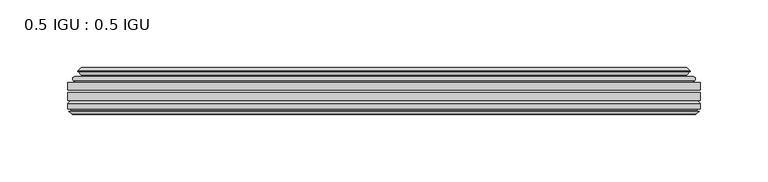
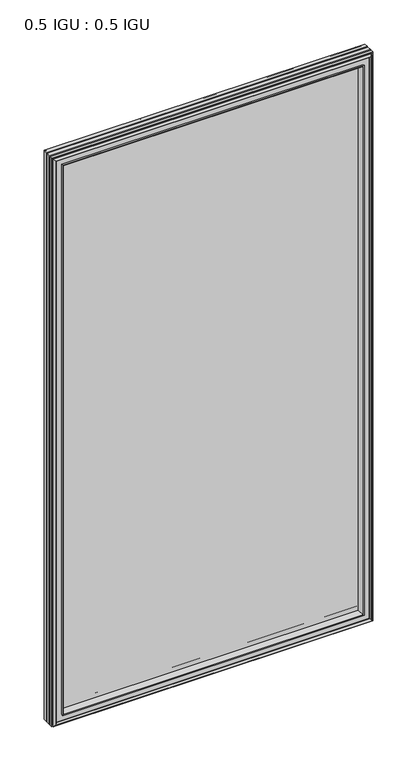
"""IFC4 building model written with IfcOpenShell, lengths in millimetres: plate geometry, 0.5 IGU : 0.5 IGU."""

from ifc_helpers import new_model, si_unit, frame, origin, place, context, project, spatial, polyline, ellipse_curve, outline, extrude, faceted_brep, source, transform, mapped, element, save
from ifc_brep_helpers import plane_surface, cylinder_surface, revolved_surface, advanced_brep


def plate_0_5_igu_0_5_igu_498e3a24(model_context):
    return source(origin(), model_context, "Body", "SolidModel", [
        extrude(outline(polyline([(233.3608, -55.82285), (233.3608, -61.48705), (-233.346625, -61.48705), (-233.346625, -55.82285), (233.3608, -55.82285)])), frame((0.0, 0.0, -14.2875), z_axis=(0.0, 0.0, 1.0), x_axis=(1.0, 0.0, 0.0)), (0.0, 0.0, 1.0), 873.1287979),
        extrude(outline(polyline([(-233.346625, -69.05625), (-233.346625, -63.39205), (233.3608, -63.39205), (233.3608, -69.05625), (-233.346625, -69.05625)])), frame((0.0, 0.0, -14.2875), z_axis=(0.0, 0.0, 1.0), x_axis=(1.0, 0.0, 0.0)), (0.0, 0.0, 1.0), 873.1287979),
        advanced_brep(
        [(-229.2440876, -54.3724927, 854.7349626), (-228.1995628, -51.60645, 853.6904378), (-228.1995628, -51.60645, -9.1404378), (-229.2440876, -54.3724927, -10.1849626), (-227.607642, -55.82285, 853.098517), (-227.607642, -55.82285, -8.548517), (-219.059125, -45.63745, 844.55), (-215.4764011, -55.82285, 840.9672761), (-215.4764011, -55.82285, 3.5827239), (-219.059125, -45.63745, 0.0), (-224.2450359, -46.8185491, 849.7359109), (-224.2450359, -46.8185491, -5.1859109), (-223.4480143, -44.8183085, 848.9388893), (-223.4480143, -44.8183085, -4.3888893), (-225.7317361, -47.135817, 851.2226111), (-225.7317361, -47.135817, -6.6726111), (-225.7317361, -47.8489429, 851.2226111), (-225.7317361, -47.8489429, -6.6726111), (-223.4480143, -50.1664515, 848.9388893), (-223.4480143, -50.1664515, -4.3888893), (-224.2373751, -48.1854367, 849.7282501), (-224.2373751, -48.1854367, -5.1782501), (-221.7135629, -48.027045, 847.2044379), (-221.7135629, -48.027045, -2.6544379), (-220.6877467, -48.7147544, 846.1786217), (-220.6877467, -48.7147544, -1.6286217), (-220.8061538, -50.1092231, 846.2970288), (-220.8061538, -50.1092231, -1.7470288), (-221.4078998, -51.60645, 846.8987748), (-221.4078998, -51.60645, -2.3487748), (228.1995628, -51.60645, -9.1404378), (229.2440876, -54.3724927, -10.1849626), (227.607642, -55.82285, -8.548517), (215.4764011, -55.82285, 3.5827239), (219.059125, -45.63745, 0.0), (224.2450359, -46.8185491, -5.1859109), (223.4480143, -44.8183085, -4.3888893), (225.7317361, -47.135817, -6.6726111), (225.7317361, -47.8489429, -6.6726111), (223.4480143, -50.1664515, -4.3888893), (224.2373751, -48.1854367, -5.1782501), (221.7135629, -48.027045, -2.6544379), (220.6877467, -48.7147544, -1.6286217), (220.8061538, -50.1092231, -1.7470288), (221.4078998, -51.60645, -2.3487748), (228.1995628, -51.60645, 853.6904378), (229.2440876, -54.3724927, 854.7349626), (227.607642, -55.82285, 853.098517), (215.4764011, -55.82285, 840.9672761), (219.059125, -45.63745, 844.55), (224.2450359, -46.8185491, 849.7359109), (223.4480143, -44.8183085, 848.9388893), (225.7317361, -47.135817, 851.2226111), (225.7317361, -47.8489429, 851.2226111), (223.4480143, -50.1664515, 848.9388893), (224.2373751, -48.1854367, 849.7282501), (221.7135629, -48.027045, 847.2044379), (220.6877467, -48.7147544, 846.1786217), (220.8061538, -50.1092231, 846.2970288), (221.4078998, -51.60645, 846.8987748)],
        [
            (0, 1, ellipse_curve(frame((-228.1911953, -53.1898501, 853.6820703), z_axis=(-0.7071067811865475, 0.0, -0.7071067811865475), x_axis=(-0.7071067811865474, 0.0, 0.7071067811865476)), 2.2392971, 1.5834222)),
            (1, 2),
            (2, 3, ellipse_curve(frame((-228.1911953, -53.1898501, -9.1320703), z_axis=(-0.7071067811865475, 0.0, 0.7071067811865475), x_axis=(0.7071067811865474, 0.0, 0.7071067811865476)), 2.2392971, 1.5834222)),
            (3, 0),
            (4, 0),
            (3, 5),
            (5, 4),
            (6, 7, ellipse_curve(frame((-186.779371, -40.0058297, 812.270246), z_axis=(0.7071067811865475, 0.0, 0.7071067811865475), x_axis=(0.7071067811865474, 0.0, -0.7071067811865476)), 46.3399971, 32.7673262)),
            (7, 8),
            (8, 9, ellipse_curve(frame((-186.779371, -40.0058297, 32.279754), z_axis=(0.7071067811865475, 0.0, -0.7071067811865475), x_axis=(-0.7071067811865474, 0.0, -0.7071067811865476)), 46.3399971, 32.7673262)),
            (9, 6),
            (10, 6),
            (9, 11),
            (11, 10),
            (12, 10),
            (11, 13),
            (13, 12),
            (14, 12),
            (13, 15),
            (15, 14),
            (16, 14, ellipse_curve(frame((-225.3698979, -47.49238, 850.8607729), z_axis=(-0.7071067811865475, 0.0, -0.7071067811865475), x_axis=(-0.7071067811865474, 0.0, 0.7071067811865476)), 0.7184205, 0.508)),
            (15, 17, ellipse_curve(frame((-225.3698979, -47.49238, -6.3107729), z_axis=(-0.7071067811865475, 0.0, 0.7071067811865475), x_axis=(0.7071067811865474, 0.0, 0.7071067811865476)), 0.7184205, 0.508)),
            (17, 16),
            (18, 16),
            (17, 19),
            (19, 18),
            (20, 18),
            (19, 21),
            (21, 20),
            (22, 20),
            (21, 23),
            (23, 22),
            (24, 22, ellipse_curve(frame((-221.649925, -49.04105, 847.1408), z_axis=(0.7071067811865475, 0.0, 0.7071067811865475), x_axis=(0.7071067811865474, 0.0, -0.7071067811865476)), 1.436841, 1.016)),
            (23, 25, ellipse_curve(frame((-221.649925, -49.04105, -2.5908), z_axis=(0.7071067811865475, 0.0, -0.7071067811865475), x_axis=(-0.7071067811865474, 0.0, -0.7071067811865476)), 1.436841, 1.016)),
            (25, 24),
            (26, 24, ellipse_curve(frame((-223.021525, -49.21885, 848.5124), z_axis=(0.7071067811865475, 0.0, 0.7071067811865475), x_axis=(0.7071067811865474, 0.0, -0.7071067811865476)), 3.3765763, 2.3876)),
            (25, 27, ellipse_curve(frame((-223.021525, -49.21885, -3.9624), z_axis=(0.7071067811865475, 0.0, -0.7071067811865475), x_axis=(-0.7071067811865474, 0.0, -0.7071067811865476)), 3.3765763, 2.3876)),
            (27, 26),
            (28, 26),
            (27, 29),
            (29, 28),
            (2, 30),
            (30, 31, ellipse_curve(frame((228.1911953, -53.1898501, -9.1320703), z_axis=(-0.7071067811865475, 0.0, -0.7071067811865475), x_axis=(-0.7071067811865476, 0.0, 0.7071067811865474)), 2.2392971, 1.5834222)),
            (31, 3),
            (31, 32),
            (32, 5),
            (8, 33),
            (33, 34, ellipse_curve(frame((186.779371, -40.0058297, 32.279754), z_axis=(0.7071067811865475, 0.0, 0.7071067811865475), x_axis=(0.7071067811865476, 0.0, -0.7071067811865474)), 46.3399971, 32.7673262)),
            (34, 9),
            (34, 35),
            (35, 11),
            (35, 36),
            (36, 13),
            (36, 37),
            (37, 15),
            (37, 38, ellipse_curve(frame((225.3698979, -47.49238, -6.3107729), z_axis=(-0.7071067811865475, 0.0, -0.7071067811865475), x_axis=(-0.7071067811865476, 0.0, 0.7071067811865474)), 0.7184205, 0.508)),
            (38, 17),
            (38, 39),
            (39, 19),
            (39, 40),
            (40, 21),
            (40, 41),
            (41, 23),
            (41, 42, ellipse_curve(frame((221.649925, -49.04105, -2.5908), z_axis=(0.7071067811865475, 0.0, 0.7071067811865475), x_axis=(0.7071067811865476, 0.0, -0.7071067811865474)), 1.436841, 1.016)),
            (42, 25),
            (42, 43, ellipse_curve(frame((223.021525, -49.21885, -3.9624), z_axis=(0.7071067811865475, 0.0, 0.7071067811865475), x_axis=(0.7071067811865476, 0.0, -0.7071067811865474)), 3.3765763, 2.3876)),
            (43, 27),
            (43, 44),
            (44, 29),
            (30, 45),
            (45, 46, ellipse_curve(frame((228.1911953, -53.1898501, 853.6820703), z_axis=(0.7071067811865475, 0.0, -0.7071067811865475), x_axis=(-0.7071067811865474, 0.0, -0.7071067811865476)), 2.2392971, 1.5834222)),
            (46, 31),
            (46, 47),
            (47, 32),
            (33, 48),
            (48, 49, ellipse_curve(frame((186.779371, -40.0058297, 812.270246), z_axis=(-0.7071067811865475, 0.0, 0.7071067811865475), x_axis=(0.7071067811865474, 0.0, 0.7071067811865476)), 46.3399971, 32.7673262)),
            (49, 34),
            (49, 50),
            (50, 35),
            (50, 51),
            (51, 36),
            (51, 52),
            (52, 37),
            (52, 53, ellipse_curve(frame((225.3698979, -47.49238, 850.8607729), z_axis=(0.7071067811865475, 0.0, -0.7071067811865475), x_axis=(-0.7071067811865474, 0.0, -0.7071067811865476)), 0.7184205, 0.508)),
            (53, 38),
            (53, 54),
            (54, 39),
            (54, 55),
            (55, 40),
            (55, 56),
            (56, 41),
            (56, 57, ellipse_curve(frame((221.649925, -49.04105, 847.1408), z_axis=(-0.7071067811865475, 0.0, 0.7071067811865475), x_axis=(0.7071067811865474, 0.0, 0.7071067811865476)), 1.436841, 1.016)),
            (57, 42),
            (57, 58, ellipse_curve(frame((223.021525, -49.21885, 848.5124), z_axis=(-0.7071067811865475, 0.0, 0.7071067811865475), x_axis=(0.7071067811865474, 0.0, 0.7071067811865476)), 3.3765763, 2.3876)),
            (58, 43),
            (58, 59),
            (59, 44),
            (45, 1),
            (0, 46),
            (4, 47),
            (7, 48),
            (6, 49),
            (10, 50),
            (12, 51),
            (14, 52),
            (16, 53),
            (18, 54),
            (20, 55),
            (22, 56),
            (24, 57),
            (26, 58),
            (28, 59),
        ],
        [
            cylinder_surface(frame((-228.1911953, -53.1898501, 876.3), z_axis=(0.0, 0.0, 1.0), x_axis=(-1.0, 0.0, 0.0)), 1.5834222),
            plane_surface(frame((-229.2440876, -54.3724927, 854.7349626), z_axis=(-0.6632745773184306, -0.7483761320907135, 0.0), x_axis=(0.0, 0.0, -1.0))),
            revolved_surface(polyline([(-219.54669719999998, -40.0058297, -0.48757218957496207), (-219.54669719999998, -40.0058297, 845.037572189575)]), (-186.779371, -40.0058297, 876.3), (0.0, 0.0, -1.0)),
            plane_surface(frame((-219.059125, -45.63745, 844.55), z_axis=(-0.22206498442787428, 0.975031867525902, 0.0), x_axis=(0.0, 0.0, -1.0))),
            plane_surface(frame((-224.2450359, -46.8185491, 849.7359109), z_axis=(0.928968268563027, -0.37015936568323066, 0.0), x_axis=(0.0, 0.0, -1.0))),
            plane_surface(frame((-223.4480143, -44.8183085, 848.9388893), z_axis=(-0.7122798501733482, 0.7018955869907096, 0.0), x_axis=(0.0, 0.0, -1.0))),
            cylinder_surface(frame((-225.3698979, -47.49238, 876.3), z_axis=(0.0, 0.0, 1.0), x_axis=(-1.0, 0.0, 0.0)), 0.508),
            plane_surface(frame((-225.7317361, -47.8489429, 851.2226111), z_axis=(-0.7122798501732925, -0.701895586990766, 0.0), x_axis=(0.0, 0.0, -1.0))),
            plane_surface(frame((-223.4480143, -50.1664515, 848.9388893), z_axis=(0.9289682685628707, 0.3701593656836228, 0.0), x_axis=(0.0, 0.0, -1.0))),
            plane_surface(frame((-224.2373751, -48.1854367, 849.7282501), z_axis=(0.06263570119284978, -0.9980364567169279, 0.0), x_axis=(0.0, 0.0, -1.0))),
            revolved_surface(polyline([(-222.665925, -49.04105, -3.606800014586838), (-222.665925, -49.04105, 848.1568000145869)]), (-221.649925, -49.04105, 876.3), (0.0, 0.0, -1.0)),
            revolved_surface(polyline([(-225.409125, -49.21885, -6.3499999989237494), (-225.409125, -49.21885, 850.8999999989237)]), (-223.021525, -49.21885, 876.3), (0.0, 0.0, -1.0)),
            plane_surface(frame((-220.8061538, -50.1092231, 846.2970288), z_axis=(-0.9278652925428184, 0.3729155385532094, 0.0), x_axis=(0.0, 0.0, -1.0))),
            cylinder_surface(frame((-250.809125, -53.1898501, -9.1320703), z_axis=(-1.0, 0.0, 0.0), x_axis=(0.0, 0.0, -1.0)), 1.5834222),
            plane_surface(frame((-229.2440876, -54.3724927, -10.1849626), z_axis=(0.0, -0.7483761320907157, -0.6632745773184283), x_axis=(1.0, 0.0, 0.0))),
            revolved_surface(polyline([(219.5466971895749, -40.0058297, -0.48757220000000245), (-219.54669718957493, -40.0058297, -0.48757220000000245)]), (-250.809125, -40.0058297, 32.279754), (1.0, 0.0, 0.0)),
            plane_surface(frame((-219.059125, -45.63745, 0.0), z_axis=(0.0, 0.9750318675259013, -0.22206498442787745), x_axis=(1.0, 0.0, 0.0))),
            plane_surface(frame((-224.2450359, -46.8185491, -5.1859109), z_axis=(0.0, -0.37015936568322766, 0.9289682685630283), x_axis=(1.0, 0.0, 0.0))),
            plane_surface(frame((-223.4480143, -44.8183085, -4.3888893), z_axis=(0.0, 0.7018955869907073, -0.7122798501733504), x_axis=(1.0, 0.0, 0.0))),
            cylinder_surface(frame((-250.809125, -47.49238, -6.3107729), z_axis=(-1.0, 0.0, 0.0), x_axis=(0.0, 0.0, -1.0)), 0.508),
            plane_surface(frame((-225.7317361, -47.8489429, -6.6726111), z_axis=(0.0, -0.7018955869907684, -0.7122798501732903), x_axis=(1.0, 0.0, 0.0))),
            plane_surface(frame((-223.4480143, -50.1664515, -4.3888893), z_axis=(0.0, 0.37015936568362584, 0.9289682685628696), x_axis=(1.0, 0.0, 0.0))),
            plane_surface(frame((-224.2373751, -48.1854367, -5.1782501), z_axis=(0.0, -0.9980364567169276, 0.06263570119285301), x_axis=(1.0, 0.0, 0.0))),
            revolved_surface(polyline([(222.66592501458683, -49.04105, -3.6068000000000002), (-222.66592501458686, -49.04105, -3.6068000000000002)]), (-250.809125, -49.04105, -2.5908), (1.0, 0.0, 0.0)),
            revolved_surface(polyline([(225.4091249989238, -49.21885, -6.35), (-225.40912499892377, -49.21885, -6.35)]), (-250.809125, -49.21885, -3.9624), (1.0, 0.0, 0.0)),
            plane_surface(frame((-220.8061538, -50.1092231, -1.7470288), z_axis=(0.0, 0.3729155385532064, -0.9278652925428196), x_axis=(1.0, 0.0, 0.0))),
            cylinder_surface(frame((228.1911953, -53.1898501, -31.75), z_axis=(0.0, 0.0, -1.0), x_axis=(1.0, 0.0, 0.0)), 1.5834222),
            plane_surface(frame((229.2440876, -54.3724927, -10.1849626), z_axis=(0.6632745773184259, -0.7483761320907178, 0.0), x_axis=(0.0, 0.0, 1.0))),
            revolved_surface(polyline([(219.54669719999998, -40.0058297, 845.037572189575), (219.54669719999998, -40.0058297, -0.48757218957494075)]), (186.779371, -40.0058297, -31.75), (0.0, 0.0, 1.0)),
            plane_surface(frame((219.059125, -45.63745, 0.0), z_axis=(0.22206498442788059, 0.9750318675259005, 0.0), x_axis=(0.0, 0.0, 1.0))),
            plane_surface(frame((224.2450359, -46.8185491, -5.1859109), z_axis=(-0.9289682685630295, -0.37015936568322466, 0.0), x_axis=(0.0, 0.0, 1.0))),
            plane_surface(frame((223.4480143, -44.8183085, -4.3888893), z_axis=(0.7122798501733526, 0.701895586990705, 0.0), x_axis=(0.0, 0.0, 1.0))),
            cylinder_surface(frame((225.3698979, -47.49238, -31.75), z_axis=(0.0, 0.0, -1.0), x_axis=(1.0, 0.0, 0.0)), 0.508),
            plane_surface(frame((225.7317361, -47.8489429, -6.6726111), z_axis=(0.712279850173288, -0.7018955869907706, 0.0), x_axis=(0.0, 0.0, 1.0))),
            plane_surface(frame((223.4480143, -50.1664515, -4.3888893), z_axis=(-0.9289682685628684, 0.37015936568362884, 0.0), x_axis=(0.0, 0.0, 1.0))),
            plane_surface(frame((224.2373751, -48.1854367, -5.1782501), z_axis=(-0.06263570119285625, -0.9980364567169274, 0.0), x_axis=(0.0, 0.0, 1.0))),
            revolved_surface(polyline([(222.665925, -49.04105, 848.1568000145869), (222.665925, -49.04105, -3.606800014586863)]), (221.649925, -49.04105, -31.75), (0.0, 0.0, 1.0)),
            revolved_surface(polyline([(225.409125, -49.21885, 850.8999999989237), (225.409125, -49.21885, -6.349999998923781)]), (223.021525, -49.21885, -31.75), (0.0, 0.0, 1.0)),
            plane_surface(frame((220.8061538, -50.1092231, -1.7470288), z_axis=(0.9278652925428208, 0.3729155385532034, 0.0), x_axis=(0.0, 0.0, 1.0))),
            cylinder_surface(frame((250.809125, -53.1898501, 853.6820703), z_axis=(1.0, 0.0, 0.0), x_axis=(0.0, 0.0, 1.0)), 1.5834222),
            plane_surface(frame((229.2440876, -54.3724927, 854.7349626), z_axis=(0.0, -0.7483761320907157, 0.6632745773184283), x_axis=(-1.0, 0.0, 0.0))),
            plane_surface(frame((227.607642, -55.82285, 853.098517), z_axis=(0.0, -1.0, 0.0), x_axis=(-1.0, 0.0, 0.0))),
            revolved_surface(polyline([(-219.5466971895749, -40.0058297, 845.0375722), (219.54669718957493, -40.0058297, 845.0375722)]), (250.809125, -40.0058297, 812.270246), (-1.0, 0.0, 0.0)),
            plane_surface(frame((219.059125, -45.63745, 844.55), z_axis=(0.0, 0.9750318675259012, 0.22206498442787742), x_axis=(-1.0, 0.0, 0.0))),
            plane_surface(frame((224.2450359, -46.8185491, 849.7359109), z_axis=(0.0, -0.37015936568322766, -0.9289682685630283), x_axis=(-1.0, 0.0, 0.0))),
            plane_surface(frame((223.4480143, -44.8183085, 848.9388893), z_axis=(0.0, 0.7018955869907073, 0.7122798501733504), x_axis=(-1.0, 0.0, 0.0))),
            cylinder_surface(frame((250.809125, -47.49238, 850.8607729), z_axis=(1.0, 0.0, 0.0), x_axis=(0.0, 0.0, 1.0)), 0.508),
            plane_surface(frame((225.7317361, -47.8489429, 851.2226111), z_axis=(0.0, -0.7018955869907684, 0.7122798501732903), x_axis=(-1.0, 0.0, 0.0))),
            plane_surface(frame((223.4480143, -50.1664515, 848.9388893), z_axis=(0.0, 0.37015936568362584, -0.9289682685628696), x_axis=(-1.0, 0.0, 0.0))),
            plane_surface(frame((224.2373751, -48.1854367, 849.7282501), z_axis=(0.0, -0.9980364567169276, -0.06263570119285301), x_axis=(-1.0, 0.0, 0.0))),
            revolved_surface(polyline([(-222.66592501458683, -49.04105, 848.1568), (222.66592501458686, -49.04105, 848.1568)]), (250.809125, -49.04105, 847.1408), (-1.0, 0.0, 0.0)),
            revolved_surface(polyline([(-225.4091249989238, -49.21885, 850.9), (225.40912499892377, -49.21885, 850.9)]), (250.809125, -49.21885, 848.5124), (-1.0, 0.0, 0.0)),
            plane_surface(frame((220.8061538, -50.1092231, 846.2970288), z_axis=(0.0, 0.3729155385532064, 0.9278652925428196), x_axis=(-1.0, 0.0, 0.0))),
            plane_surface(frame((221.4078998, -51.60645, 846.8987748), z_axis=(0.0, 1.0, 0.0), x_axis=(-1.0, 0.0, 0.0))),
        ],
        [
            (0, [[1, 2, 3, 4]]),
            (1, [[5, -4, 6, 7]]),
            (2, [[8, 9, 10, 11]]),
            (3, [[12, -11, 13, 14]]),
            (4, [[15, -14, 16, 17]]),
            (5, [[18, -17, 19, 20]]),
            (6, [[21, -20, 22, 23]]),
            (7, [[24, -23, 25, 26]]),
            (8, [[27, -26, 28, 29]]),
            (9, [[30, -29, 31, 32]]),
            (10, [[33, -32, 34, 35]]),
            (11, [[36, -35, 37, 38]]),
            (12, [[39, -38, 40, 41]]),
            (13, [[-3, 42, 43, 44]]),
            (14, [[-6, -44, 45, 46]]),
            (15, [[-10, 47, 48, 49]]),
            (16, [[-13, -49, 50, 51]]),
            (17, [[-16, -51, 52, 53]]),
            (18, [[-19, -53, 54, 55]]),
            (19, [[-22, -55, 56, 57]]),
            (20, [[-25, -57, 58, 59]]),
            (21, [[-28, -59, 60, 61]]),
            (22, [[-31, -61, 62, 63]]),
            (23, [[-34, -63, 64, 65]]),
            (24, [[-37, -65, 66, 67]]),
            (25, [[-40, -67, 68, 69]]),
            (26, [[-43, 70, 71, 72]]),
            (27, [[-45, -72, 73, 74]]),
            (28, [[-48, 75, 76, 77]]),
            (29, [[-50, -77, 78, 79]]),
            (30, [[-52, -79, 80, 81]]),
            (31, [[-54, -81, 82, 83]]),
            (32, [[-56, -83, 84, 85]]),
            (33, [[-58, -85, 86, 87]]),
            (34, [[-60, -87, 88, 89]]),
            (35, [[-62, -89, 90, 91]]),
            (36, [[-64, -91, 92, 93]]),
            (37, [[-66, -93, 94, 95]]),
            (38, [[-68, -95, 96, 97]]),
            (39, [[-71, 98, -1, 99]]),
            (40, [[-73, -99, -5, 100]]),
            (41, [[-46, -74, -100, -7], [101, -75, -47, -9]]),
            (42, [[-76, -101, -8, 102]]),
            (43, [[-78, -102, -12, 103]]),
            (44, [[-80, -103, -15, 104]]),
            (45, [[-82, -104, -18, 105]]),
            (46, [[-84, -105, -21, 106]]),
            (47, [[-86, -106, -24, 107]]),
            (48, [[-88, -107, -27, 108]]),
            (49, [[-90, -108, -30, 109]]),
            (50, [[-92, -109, -33, 110]]),
            (51, [[-94, -110, -36, 111]]),
            (52, [[-96, -111, -39, 112]]),
            (53, [[-98, -70, -42, -2], [-69, -97, -112, -41]]),
        ],
    ),
        faceted_brep([(-215.2049077, -69.05625, 840.6957827), (-217.7712048, -77.94625, 843.2620798), (-217.7712048, -77.94625, 1.2879202), (-215.2049077, -69.05625, 3.8542173), (-233.359325, -71.2633102, 858.8502), (-231.1522648, -69.05625, 856.6431398), (-231.1522648, -69.05625, -12.0931398), (-233.359325, -71.2633102, -14.3002), (-233.359325, -75.40625, 858.8502), (-233.359325, -75.40625, -14.3002), (-230.9403025, -76.58989, 856.4311775), (-231.809925, -75.40625, 857.3008), (-231.809925, -75.40625, -12.7508), (-230.9403025, -76.58989, -11.8811775), (-230.743125, -77.8875884, 856.234), (-230.743125, -77.8875884, -11.684), (-231.718785, -77.3578917, 857.20966), (-231.718785, -77.3578917, -12.65966), (-230.184325, -79.1749663, 855.6752), (-232.5114555, -77.3578917, 858.0023305), (-232.5114555, -77.3578917, -13.4523305), (-230.184325, -79.1749663, -11.1252), (-227.8571945, -77.3578917, 853.3480695), (-227.8571945, -77.3578917, -8.7980695), (-229.625525, -77.8875884, 855.1164), (-228.649865, -77.3578917, 854.14074), (-228.649865, -77.3578917, -9.59074), (-229.625525, -77.8875884, -10.5664), (-229.4283475, -76.58989, 854.9192225), (-229.4283475, -76.58989, -10.3692225), (-228.558725, -75.40625, 854.0496), (-228.558725, -75.40625, -9.4996), (-219.4104917, -77.94625, 844.9013667), (-218.881325, -75.40625, 844.3722), (-218.881325, -75.40625, 0.1778), (-219.4104917, -77.94625, -0.3513667), (217.7712048, -77.94625, 1.2879202), (215.2049077, -69.05625, 3.8542173), (231.1522648, -69.05625, -12.0931398), (233.359325, -71.2633102, -14.3002), (233.359325, -75.40625, -14.3002), (231.809925, -75.40625, -12.7508), (230.9403025, -76.58989, -11.8811775), (230.743125, -77.8875884, -11.684), (231.718785, -77.3578917, -12.65966), (232.5114555, -77.3578917, -13.4523305), (230.184325, -79.1749663, -11.1252), (227.8571945, -77.3578917, -8.7980695), (228.649865, -77.3578917, -9.59074), (229.625525, -77.8875884, -10.5664), (229.4283475, -76.58989, -10.3692225), (228.558725, -75.40625, -9.4996), (218.881325, -75.40625, 0.1778), (219.4104917, -77.94625, -0.3513667), (217.7712048, -77.94625, 843.2620798), (215.2049077, -69.05625, 840.6957827), (231.1522648, -69.05625, 856.6431398), (233.359325, -71.2633102, 858.8502), (233.359325, -75.40625, 858.8502), (231.809925, -75.40625, 857.3008), (230.9403025, -76.58989, 856.4311775), (230.743125, -77.8875884, 856.234), (231.718785, -77.3578917, 857.20966), (232.5114555, -77.3578917, 858.0023305), (230.184325, -79.1749663, 855.6752), (227.8571945, -77.3578917, 853.3480695), (228.649865, -77.3578917, 854.14074), (229.625525, -77.8875884, 855.1164), (229.4283475, -76.58989, 854.9192225), (228.558725, -75.40625, 854.0496), (218.881325, -75.40625, 844.3722), (219.4104917, -77.94625, 844.9013667)], [[[0, 1, 2, 3]], [[4, 5, 6, 7]], [[8, 4, 7, 9]], [[10, 11, 12, 13]], [[14, 10, 13, 15]], [[16, 14, 15, 17]], [[18, 19, 20, 21]], [[22, 18, 21, 23]], [[24, 25, 26, 27]], [[28, 24, 27, 29]], [[30, 28, 29, 31]], [[32, 33, 34, 35]], [[3, 2, 36, 37]], [[7, 6, 38, 39]], [[9, 7, 39, 40]], [[13, 12, 41, 42]], [[15, 13, 42, 43]], [[17, 15, 43, 44]], [[21, 20, 45, 46]], [[23, 21, 46, 47]], [[27, 26, 48, 49]], [[29, 27, 49, 50]], [[31, 29, 50, 51]], [[35, 34, 52, 53]], [[37, 36, 54, 55]], [[39, 38, 56, 57]], [[40, 39, 57, 58]], [[42, 41, 59, 60]], [[43, 42, 60, 61]], [[44, 43, 61, 62]], [[46, 45, 63, 64]], [[47, 46, 64, 65]], [[49, 48, 66, 67]], [[50, 49, 67, 68]], [[51, 50, 68, 69]], [[53, 52, 70, 71]], [[55, 54, 1, 0]], [[5, 56, 38, 6], [3, 37, 55, 0]], [[57, 56, 5, 4]], [[58, 57, 4, 8]], [[9, 40, 58, 8], [11, 59, 41, 12]], [[60, 59, 11, 10]], [[61, 60, 10, 14]], [[62, 61, 14, 16]], [[19, 63, 45, 20], [17, 44, 62, 16]], [[64, 63, 19, 18]], [[65, 64, 18, 22]], [[25, 66, 48, 26], [23, 47, 65, 22]], [[67, 66, 25, 24]], [[68, 67, 24, 28]], [[69, 68, 28, 30]], [[31, 51, 69, 30], [33, 70, 52, 34]], [[71, 70, 33, 32]], [[35, 53, 71, 32], [1, 54, 36, 2]]]),
    ])


if __name__ == "__main__":
    model = new_model("IFC4")
    model_context = context("Model", 3, world=origin())
    ifc_project = project(units=[si_unit("LENGTHUNIT", "METRE", prefix="MILLI")], contexts=[model_context])
    site = spatial("IfcSite", under=ifc_project)
    building = spatial("IfcBuilding", under=site)
    placement = place(None, origin())
    plate_0_5_igu_0_5_igu_shape = plate_0_5_igu_0_5_igu_498e3a24(model_context)
    element("IfcPlate", 1, ObjectType="0.5 IGU : 0.5 IGU", at=placement, inside=building, context=model_context, shape_type="MappedRepresentation", body=[
        mapped(plate_0_5_igu_0_5_igu_shape, transform((0.0, 0.0, 0.0), x_axis=(1.0, 0.0, 0.0), y_axis=(0.0, 1.0, 0.0), z_axis=(0.0, 0.0, 1.0))),
    ])
    save(model, "model.ifc")
